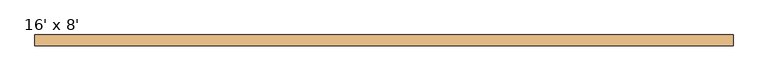
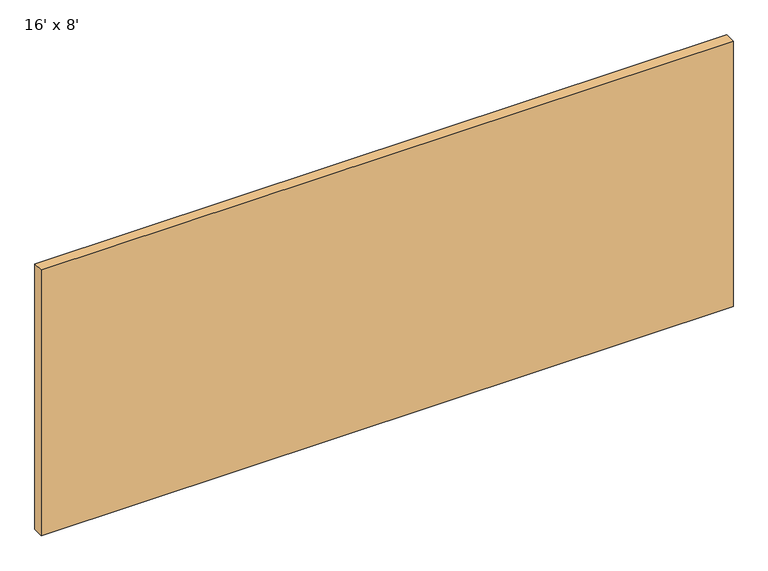
"""IFC4 building model written with IfcOpenShell, lengths in millimetres: door geometry, 16' x 8'."""

from ifc_helpers import new_model, si_unit, origin, origin_with_axes, place, context, project, spatial, polyline, outline, extrude, source, transform, mapped, element, save


def door_16_x_8_74b017e3(model_context):
    return source(origin(), model_context, "Body", "SweptSolid", [
        extrude(outline(polyline([(2438.4, -104.775), (2438.4, -180.975), (-2438.4, -180.975), (-2438.4, -104.775), (2438.4, -104.775)])), origin_with_axes(), (0.0, 0.0, 1.0), 1981.2),
    ])


if __name__ == "__main__":
    model = new_model("IFC4")
    model_context = context("Model", 3, world=origin())
    ifc_project = project(units=[si_unit("LENGTHUNIT", "METRE", prefix="MILLI")], contexts=[model_context])
    site = spatial("IfcSite", under=ifc_project)
    building = spatial("IfcBuilding", under=site)
    placement = place(None, origin())
    door_16_x_8_shape = door_16_x_8_74b017e3(model_context)
    element("IfcDoor", 1, ObjectType="16' x 8'", at=placement, inside=building, context=model_context, shape_type="MappedRepresentation", body=[
        mapped(door_16_x_8_shape, transform((0.0, 0.0, 0.0), x_axis=(1.0, 0.0, 0.0), y_axis=(0.0, 1.0, 0.0), z_axis=(0.0, 0.0, 1.0))),
    ])
    save(model, "model.ifc")
